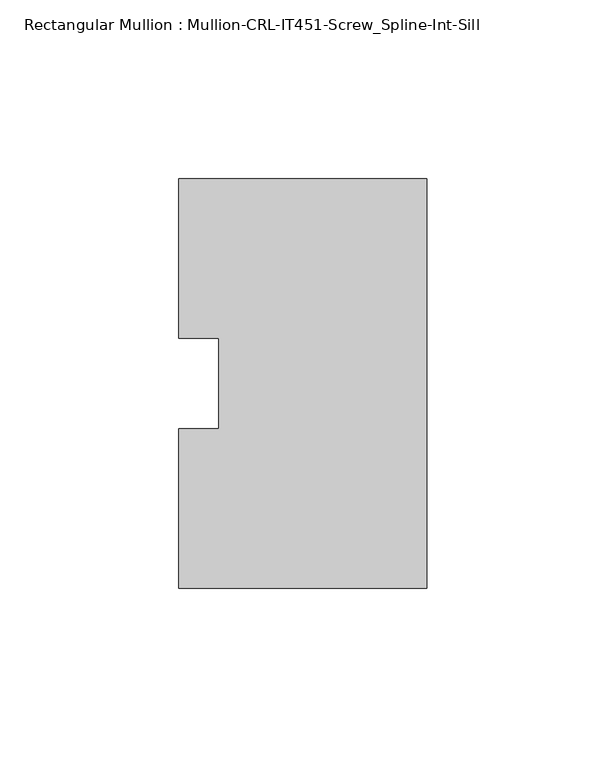
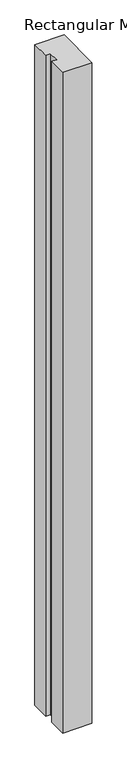
"""IFC4 building model written with IfcOpenShell, lengths in millimetres: member geometry, Rectangular Mullion : Mullion-CRL-IT451-Screw_Spline-Int-Sill."""

from ifc_helpers import new_model, si_unit, frame, origin, place, context, project, spatial, polyline, outline, extrude, source, transform, mapped, element, save


def rectangular_mullion_mullion_crl_it451_screw_spline_int_sill_e0421d2c(model_context):
    return source(origin(), model_context, "Body", "SweptSolid", [
        extrude(outline(polyline([(0.0, -57.15), (-69.2658181, -57.15), (-69.2658181, -12.7), (-58.1533181, -12.7), (-58.1533181, 12.7), (-69.2658181, 12.7), (-69.2658181, 57.15), (0.0, 57.15), (0.0, -57.15)])), frame((0.0, 0.0, -1657.3498547), z_axis=(0.0, 0.0, 1.0), x_axis=(1.0, 0.0, 0.0)), (0.0, 0.0, 1.0), 1657.3498547),
    ])


if __name__ == "__main__":
    model = new_model("IFC4")
    model_context = context("Model", 3, world=origin())
    ifc_project = project(units=[si_unit("LENGTHUNIT", "METRE", prefix="MILLI")], contexts=[model_context])
    site = spatial("IfcSite", under=ifc_project)
    building = spatial("IfcBuilding", under=site)
    placement = place(None, origin())
    rectangular_mullion_mullion_crl_it451_screw_spline_int_sill_shape = rectangular_mullion_mullion_crl_it451_screw_spline_int_sill_e0421d2c(model_context)
    element("IfcMember", 1, ObjectType="Rectangular Mullion : Mullion-CRL-IT451-Screw_Spline-Int-Sill", at=placement, inside=building, context=model_context, shape_type="MappedRepresentation", body=[
        mapped(rectangular_mullion_mullion_crl_it451_screw_spline_int_sill_shape, transform((0.0, 0.0, 0.0), x_axis=(1.0, 0.0, 0.0), y_axis=(0.0, 1.0, 0.0), z_axis=(0.0, 0.0, 1.0))),
    ])
    save(model, "model.ifc")
